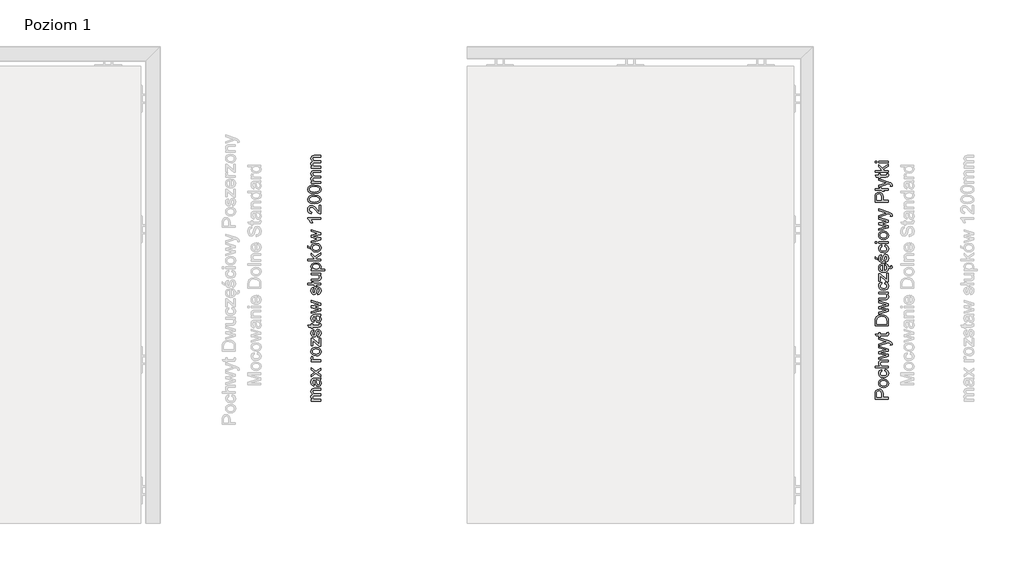
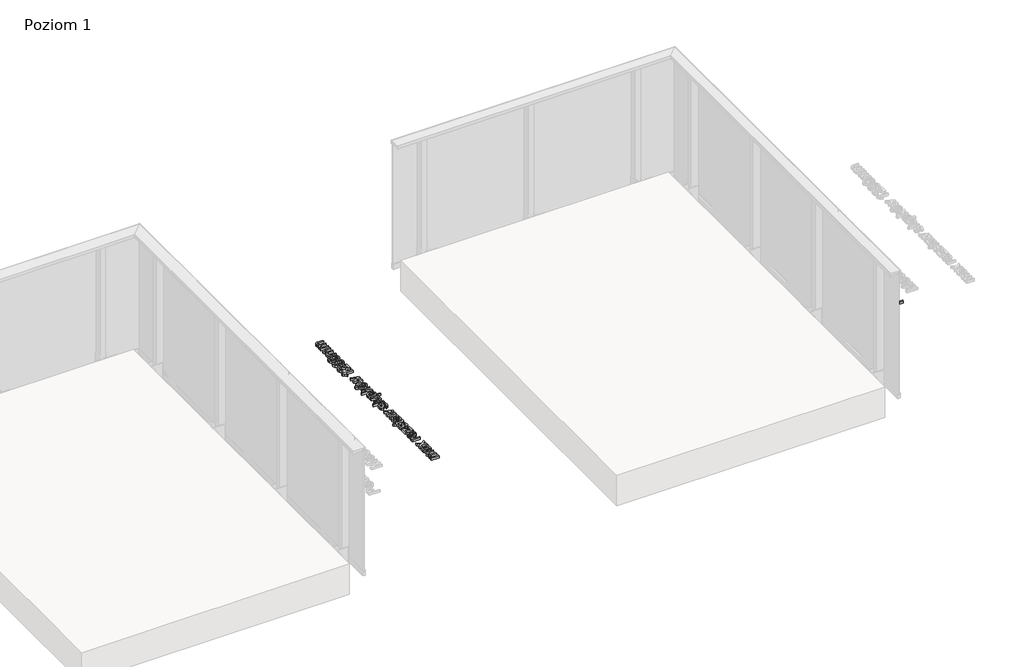
# One storey, part 34 of 35: 2 proxies.
"""IFC4 building model written with IfcOpenShell, lengths in millimetres."""

from ifc_helpers import new_model, si_unit, origin, origin_with_axes, place, context, project, spatial, polyline, outline, extrude, element, save

model = new_model("IFC4")

# Units and contexts
model_context = context("Model", 3, world=origin())
ifc_project = project(units=[si_unit("LENGTHUNIT", "METRE", prefix="MILLI")], contexts=[model_context])

# Site, building, storey
site = spatial("IfcSite", under=ifc_project)
building = spatial("IfcBuilding", under=site)
storey = spatial("IfcBuildingStorey", under=building, Name="Poziom 1", Elevation=0.0)

# Proxies
placement = place(None, origin())
element("IfcBuildingElementProxy", 1, Name="Generic Models", at=placement, inside=storey, context=model_context, shape_type="SweptSolid", body=[
    extrude(outline(polyline([(20115.5993765, 1320.5968692), (20015.1430664, 1320.5968692), (20015.1430664, 1357.8265271), (20016.0995596, 1372.8361125), (20020.7961864, 1385.037532), (20030.508271, 1392.9469949), (20044.205744, 1395.9391018), (20056.0454129, 1393.9188165), (20065.9107817, 1387.8579607), (20072.5694458, 1376.5241295), (20074.7890005, 1358.6849185), (20074.7890005, 1333.153908), (20115.5993765, 1333.153908), (20115.5993765, 1320.5968692)]), holes=[polyline([(20062.2319618, 1333.153908), (20062.2319618, 1359.4206824), (20057.6211741, 1377.9128841), (20052.0722873, 1382.0147683), (20044.6472024, 1383.3820631), (20034.2484047, 1380.1569642), (20028.5584965, 1371.6834156), (20027.7001052, 1359.1263768), (20027.7001052, 1333.153908), (20062.2319618, 1333.153908)])]), origin_with_axes(), (0.0, 0.0, 1.0), 20.0),
    extrude(outline(polyline([(20078.7130752, 1408.4961406), (20060.9259807, 1411.212336), (20048.4241242, 1419.3609222), (20042.298889, 1429.4286261), (20040.2571439, 1441.4828928), (20042.7434131, 1454.674528), (20050.2022205, 1465.2112815), (20062.0449551, 1472.118266), (20077.6830056, 1474.4205941), (20100.0257054, 1470.3493667), (20112.6685833, 1458.4913037), (20117.1690064, 1441.4828928), (20114.6919343, 1428.1318421), (20107.260718, 1417.6073513), (20095.1696631, 1410.7739433), (20078.7130752, 1408.4961406)]), holes=[polyline([(20078.6885497, 1421.0531794), (20090.0530377, 1422.5063132), (20098.1495072, 1426.8657149), (20102.9963525, 1433.4262771), (20104.6119676, 1441.4828928), (20102.9871555, 1449.5027203), (20098.112719, 1456.0510198), (20089.9089505, 1460.4104215), (20078.2961422, 1461.8635554), (20067.2627481, 1460.4012244), (20059.2766431, 1456.0142316), (20054.4297978, 1449.4567351), (20052.8141827, 1441.4828928), (20054.4236664, 1433.4262771), (20059.2521176, 1426.8657149), (20067.3301931, 1422.5063132), (20078.6885497, 1421.0531794)])]), origin_with_axes(), (0.0, 0.0, 1.0), 20.0),
    extrude(outline(polyline([(20088.9156692, 1535.6361581), (20090.485299, 1548.1931969), (20101.6535832, 1544.6921866), (20110.0934093, 1538.1132302), (20115.4001071, 1529.0755959), (20117.1690064, 1518.1985516), (20114.7011313, 1504.8413695), (20107.2975062, 1494.3965865), (20095.2830934, 1487.6551489), (20078.9828553, 1485.4080031), (20058.1239462, 1489.2462385), (20044.7207788, 1500.944886), (20040.2571439, 1518.0268733), (20041.7899856, 1528.6372032), (20046.3885105, 1537.1199488), (20053.8074641, 1543.2053302), (20063.8015916, 1546.6235671), (20065.3712215, 1534.0665283), (20055.9657051, 1528.24173), (20052.8141827, 1518.1249752), (20054.3654184, 1510.0101115), (20059.0191257, 1503.5691109), (20067.0266904, 1499.3660591), (20078.6394988, 1497.9650418), (20090.4086569, 1499.3354023), (20098.4438128, 1503.4464836), (20103.0699289, 1509.7709882), (20104.6119676, 1517.7816186), (20100.7614694, 1529.6151561), (20088.9156692, 1535.6361581)])), origin_with_axes(), (0.0, 0.0, 1.0), 20.0),
    extrude(outline(polyline([(20115.5993765, 1559.1806058), (20015.1430664, 1559.1806058), (20015.1430664, 1571.7376446), (20052.0784187, 1571.7376446), (20043.2124626, 1581.529437), (20040.2571439, 1593.5898351), (20043.4822427, 1607.6919783), (20052.3972498, 1616.251366), (20068.9028886, 1618.82654), (20115.5993765, 1618.82654), (20115.5993765, 1606.2695012), (20070.2027383, 1606.2695012), (20056.9589865, 1602.2718502), (20052.8141827, 1590.9410847), (20055.6100859, 1580.6526516), (20063.188455, 1573.785521), (20076.4076813, 1571.7376446), (20115.5993765, 1571.7376446), (20115.5993765, 1559.1806058)])), origin_with_axes(), (0.0, 0.0, 1.0), 20.0),
    extrude(outline(polyline([(20115.5993765, 1648.330676), (20041.8267738, 1625.8898743), (20041.8267738, 1638.9374224), (20084.8689672, 1651.6661394), (20100.2464346, 1655.4675867), (20085.4330529, 1658.5823209), (20041.8267738, 1668.7113385), (20041.8267738, 1683.671873), (20085.3104256, 1693.7518397), (20098.7258557, 1696.5232174), (20084.5746616, 1700.4963429), (20041.8267738, 1713.2495854), (20041.8267738, 1726.3461844), (20115.5993765, 1703.7337045), (20115.5993765, 1688.5524408), (20072.3364539, 1678.9139325), (20058.8474474, 1676.1180294), (20115.5993765, 1663.6836179), (20115.5993765, 1648.330676)])), origin_with_axes(), (0.0, 0.0, 1.0), 20.0),
    extrude(outline(polyline([(20143.8527138, 1734.9791486), (20131.7616589, 1733.4095187), (20132.8653048, 1739.78614), (20131.479616, 1745.7458283), (20127.616855, 1749.4001228), (20118.3707542, 1752.8336881), (20115.3295964, 1753.8147067), (20041.8267738, 1727.1309994), (20041.8267738, 1740.3747512), (20082.7843026, 1754.5259453), (20099.1673141, 1759.455564), (20084.6972889, 1764.3851827), (20041.8267738, 1778.9287843), (20041.8267738, 1792.0744342), (20117.3652101, 1766.396271), (20133.7482216, 1759.7253441), (20142.601915, 1752.4412806), (20145.4223436, 1742.6556196), (20143.8527138, 1734.9791486)])), origin_with_axes(), (0.0, 0.0, 1.0), 20.0),
    extrude(outline(polyline([(20105.1270024, 1829.1569394), (20115.9672585, 1830.7265692), (20117.1690064, 1821.3333156), (20115.0843417, 1810.8118905), (20109.6151627, 1805.5634407), (20095.3658668, 1804.0428618), (20054.3838125, 1804.0428618), (20054.3838125, 1794.6250827), (20041.8267738, 1794.6250827), (20041.8267738, 1804.0428618), (20023.8986579, 1804.0428618), (20016.5164925, 1816.5999006), (20041.8267738, 1816.5999006), (20041.8267738, 1829.1569394), (20054.3838125, 1829.1569394), (20054.3838125, 1816.5999006), (20094.9979848, 1816.5999006), (20101.4727079, 1817.2620882), (20103.765839, 1819.4080665), (20104.6119676, 1823.6877604), (20105.1270024, 1829.1569394)])), origin_with_axes(), (0.0, 0.0, 1.0), 20.0),
    extrude(outline(polyline([(20115.5993765, 1882.5243541), (20015.1430664, 1882.5243541), (20015.1430664, 1917.1788381), (20016.5900689, 1935.106954), (20023.7760305, 1949.8712847), (20040.943857, 1961.7661359), (20064.8316612, 1965.714736), (20085.1019591, 1963.0414601), (20099.7313998, 1956.1743296), (20108.8426106, 1947.0018051), (20113.8825939, 1934.9965894), (20115.5993765, 1918.8465698), (20115.5993765, 1882.5243541)]), holes=[polyline([(20103.0423378, 1895.0813929), (20103.0423378, 1917.3014654), (20101.2274533, 1933.4637477), (20096.1016308, 1942.7834249), (20083.6304312, 1950.4231077), (20064.6354575, 1953.1576972), (20050.9502472, 1951.8179936), (20040.8457551, 1947.7988828), (20029.7111934, 1934.7635974), (20027.7001052, 1916.9581089), (20027.7001052, 1895.0813929), (20103.0423378, 1895.0813929)])]), origin_with_axes(), (0.0, 0.0, 1.0), 20.0),
    extrude(outline(polyline([(20115.5993765, 1993.6492421), (20041.8267738, 1971.2084404), (20041.8267738, 1984.2559885), (20084.8689672, 1996.9847056), (20100.2464346, 2000.7861528), (20085.4330529, 2003.9008871), (20041.8267738, 2014.0299047), (20041.8267738, 2028.9904391), (20085.3104256, 2039.0704058), (20098.7258557, 2041.8417835), (20084.5746616, 2045.814909), (20041.8267738, 2058.5681515), (20041.8267738, 2071.6647506), (20115.5993765, 2049.0522706), (20115.5993765, 2033.8710069), (20072.3364539, 2024.2324987), (20058.8474474, 2021.4365955), (20115.5993765, 2009.0021841), (20115.5993765, 1993.6492421)])), origin_with_axes(), (0.0, 0.0, 1.0), 20.0),
    extrude(outline(polyline([(20115.5993765, 2127.3866101), (20102.9197104, 2127.3866101), (20113.6066824, 2117.5518981), (20117.1690064, 2104.7250792), (20114.6674088, 2092.9160672), (20108.3888894, 2084.7736123), (20099.1427886, 2081.0334787), (20087.4686666, 2080.2977147), (20041.8267738, 2080.2977147), (20041.8267738, 2092.8547535), (20081.5580292, 2092.8547535), (20094.3603227, 2093.615043), (20101.8773781, 2098.5814499), (20104.6119676, 2107.9379153), (20101.8160644, 2118.4225522), (20094.2009071, 2125.3509964), (20080.2091286, 2127.3866101), (20041.8267738, 2127.3866101), (20041.8267738, 2139.9436489), (20115.5993765, 2139.9436489), (20115.5993765, 2127.3866101)])), origin_with_axes(), (0.0, 0.0, 1.0), 20.0),
    extrude(outline(polyline([(20088.9156692, 2204.2984726), (20090.485299, 2216.8555113), (20101.6535832, 2213.354501), (20110.0934093, 2206.7755447), (20115.4001071, 2197.7379103), (20117.1690064, 2186.860866), (20114.7011313, 2173.5036839), (20107.2975062, 2163.0589009), (20095.2830934, 2156.3174633), (20078.9828553, 2154.0703175), (20058.1239462, 2157.908553), (20044.7207788, 2169.6072004), (20040.2571439, 2186.6891877), (20041.7899856, 2197.2995176), (20046.3885105, 2205.7822633), (20053.8074641, 2211.8676446), (20063.8015916, 2215.2858815), (20065.3712215, 2202.7288427), (20055.9657051, 2196.9040445), (20052.8141827, 2186.7872896), (20054.3654184, 2178.6724259), (20059.0191257, 2172.2314253), (20067.0266904, 2168.0283735), (20078.6394988, 2166.6273563), (20090.4086569, 2167.9977167), (20098.4438128, 2172.108798), (20103.0699289, 2178.4333026), (20104.6119676, 2186.4439331), (20100.7614694, 2198.2774706), (20088.9156692, 2204.2984726)])), origin_with_axes(), (0.0, 0.0, 1.0), 20.0),
    extrude(outline(polyline([(20115.5993765, 2219.994771), (20103.7781018, 2219.994771), (20054.3838125, 2263.3312701), (20054.3838125, 2250.5044512), (20054.3838125, 2223.1340307), (20041.8267738, 2223.1340307), (20041.8267738, 2281.210335), (20052.4953516, 2281.210335), (20096.32236, 2242.7789293), (20103.0423378, 2236.8928173), (20103.0423378, 2251.4118934), (20103.0423378, 2282.7799649), (20115.5993765, 2282.7799649), (20115.5993765, 2219.994771)])), origin_with_axes(), (0.0, 0.0, 1.0), 20.0),
    extrude(outline(polyline([(20093.6245587, 2346.9876358), (20095.1941885, 2359.2994199), (20104.4709462, 2354.8633761), (20111.4055218, 2347.7847134), (20115.768218, 2337.8922067), (20121.6694295, 2332.0148386), (20128.9902812, 2329.8688603), (20133.9689508, 2331.4017019), (20136.0045645, 2336.3681088), (20135.5631061, 2339.5073685), (20134.3858838, 2342.425899), (20143.0433734, 2342.425899), (20145.4223436, 2333.6212566), (20144.4167995, 2327.8455093), (20141.6454218, 2323.7252309), (20137.5864571, 2321.2604216), (20132.6691011, 2320.4510812), (20123.7540941, 2322.9036278), (20116.8755159, 2328.758177), (20117.1690064, 2326.3371931), (20114.6827372, 2311.6035192), (20107.2239298, 2300.2666224), (20095.276962, 2293.0377412), (20079.3262118, 2290.6281141), (20062.8389671, 2293.0622666), (20050.5087889, 2300.3647242), (20042.8200552, 2311.5483369), (20040.2571439, 2325.6259546), (20042.8139238, 2339.2651795), (20050.4842634, 2350.1636837), (20062.7899161, 2357.3097914), (20079.2526354, 2359.6918273), (20082.6371498, 2359.6182509), (20082.6371498, 2303.1851529), (20092.0365347, 2305.3587223), (20098.9465849, 2310.4079027), (20103.1956219, 2317.6950319), (20104.6119676, 2326.5824478), (20101.9877427, 2338.8942319), (20093.6245587, 2346.9876358)]), holes=[polyline([(20070.080111, 2303.1851529), (20070.080111, 2347.1347886), (20058.7002946, 2342.107068), (20054.2857107, 2334.7862163), (20052.8141827, 2325.5769036), (20057.5108095, 2310.1135971), (20063.0014483, 2305.2483577), (20070.080111, 2303.1851529)])]), origin_with_axes(), (0.0, 0.0, 1.0), 20.0),
    extrude(outline(polyline([(20093.6245587, 2367.5399766), (20092.0549288, 2380.0970153), (20101.3746061, 2385.9095509), (20104.6119676, 2399.2268791), (20101.6443862, 2412.0291725), (20094.6791537, 2416.1985018), (20089.0382965, 2412.004647), (20085.4575784, 2399.0797263), (20079.3139491, 2380.1705917), (20072.1402502, 2371.9177723), (20062.0112326, 2369.1096064), (20052.6547672, 2371.3659493), (20045.5055937, 2377.5218414), (20041.7899856, 2385.5048807), (20040.2571439, 2396.3083486), (20042.7219533, 2411.5877141), (20049.3928801, 2421.2997988), (20060.6623319, 2425.6162809), (20062.2319618, 2413.0592421), (20055.3035175, 2408.3380898), (20052.8141827, 2397.2893672), (20055.1931529, 2385.2718887), (20060.7359083, 2381.6666452), (20064.3902028, 2383.1626986), (20067.1615805, 2387.8470627), (20069.8348563, 2398.6627934), (20075.7454937, 2417.0936813), (20082.440946, 2425.6530691), (20093.3547786, 2428.7555406), (20105.3722571, 2425.1135088), (20114.0910604, 2414.6043465), (20117.1690064, 2399.0552008), (20115.6852157, 2386.3939288), (20111.2338435, 2377.1539594), (20103.8639409, 2370.9858046), (20093.6245587, 2367.5399766)])), origin_with_axes(), (0.0, 0.0, 1.0), 20.0),
    extrude(outline(polyline([(20033.9786245, 2386.3755347), (20015.1430664, 2395.7933138), (20015.1430664, 2411.4896122), (20033.9786245, 2395.7933138), (20033.9786245, 2386.3755347)])), origin_with_axes(), (0.0, 0.0, 1.0), 20.0),
    extrude(outline(polyline([(20088.9156692, 2489.9711046), (20090.485299, 2502.5281433), (20101.6535832, 2499.027133), (20110.0934093, 2492.4481767), (20115.4001071, 2483.4105423), (20117.1690064, 2472.533498), (20114.7011313, 2459.1763159), (20107.2975062, 2448.7315329), (20095.2830934, 2441.9900953), (20078.9828553, 2439.7429495), (20058.1239462, 2443.581185), (20044.7207788, 2455.2798324), (20040.2571439, 2472.3618197), (20041.7899856, 2482.9721496), (20046.3885105, 2491.4548953), (20053.8074641, 2497.5402766), (20063.8015916, 2500.9585135), (20065.3712215, 2488.4014747), (20055.9657051, 2482.5766765), (20052.8141827, 2472.4599216), (20054.3654184, 2464.3450579), (20059.0191257, 2457.9040573), (20067.0266904, 2453.7010055), (20078.6394988, 2452.2999882), (20090.4086569, 2453.6703487), (20098.4438128, 2457.78143), (20103.0699289, 2464.1059346), (20104.6119676, 2472.1165651), (20100.7614694, 2483.9501026), (20088.9156692, 2489.9711046)])), origin_with_axes(), (0.0, 0.0, 1.0), 20.0),
    extrude(outline(polyline([(20027.7001052, 2513.5155522), (20015.1430664, 2513.5155522), (20015.1430664, 2526.072591), (20027.7001052, 2526.072591), (20027.7001052, 2513.5155522)])), origin_with_axes(), (0.0, 0.0, 1.0), 20.0),
    extrude(outline(polyline([(20115.5993765, 2513.5155522), (20041.8267738, 2513.5155522), (20041.8267738, 2526.072591), (20115.5993765, 2526.072591), (20115.5993765, 2513.5155522)])), origin_with_axes(), (0.0, 0.0, 1.0), 20.0),
    extrude(outline(polyline([(20078.7130752, 2541.7688895), (20060.9259807, 2544.4850849), (20048.4241242, 2552.6336711), (20042.298889, 2562.701375), (20040.2571439, 2574.7556417), (20042.7434131, 2587.9472769), (20050.2022205, 2598.4840304), (20062.0449551, 2605.3910149), (20077.6830056, 2607.693343), (20100.0257054, 2603.6221156), (20112.6685833, 2591.7640526), (20117.1690064, 2574.7556417), (20114.6919343, 2561.404591), (20107.260718, 2550.8801002), (20095.1696631, 2544.0466922), (20078.7130752, 2541.7688895)]), holes=[polyline([(20078.6885497, 2554.3259282), (20090.0530377, 2555.7790621), (20098.1495072, 2560.1384638), (20102.9963525, 2566.699026), (20104.6119676, 2574.7556417), (20102.9871555, 2582.7754692), (20098.112719, 2589.3237687), (20089.9089505, 2593.6831704), (20078.2961422, 2595.1363042), (20067.2627481, 2593.6739733), (20059.2766431, 2589.2869805), (20054.4297978, 2582.729484), (20052.8141827, 2574.7556417), (20054.4236664, 2566.699026), (20059.2521176, 2560.1384638), (20067.3301931, 2555.7790621), (20078.6885497, 2554.3259282)])]), origin_with_axes(), (0.0, 0.0, 1.0), 20.0),
    extrude(outline(polyline([(20115.5993765, 2634.0582193), (20041.8267738, 2611.6174176), (20041.8267738, 2624.6649657), (20084.8689672, 2637.3936828), (20100.2464346, 2641.19513), (20085.4330529, 2644.3098643), (20041.8267738, 2654.4388819), (20041.8267738, 2669.3994163), (20085.3104256, 2679.479383), (20098.7258557, 2682.2507607), (20084.5746616, 2686.2238862), (20041.8267738, 2698.9771287), (20041.8267738, 2712.0737278), (20115.5993765, 2689.4612478), (20115.5993765, 2674.2799841), (20072.3364539, 2664.6414759), (20058.8474474, 2661.8455727), (20115.5993765, 2649.4111613), (20115.5993765, 2634.0582193)])), origin_with_axes(), (0.0, 0.0, 1.0), 20.0),
    extrude(outline(polyline([(20143.8527138, 2720.7066919), (20131.7616589, 2719.1370621), (20132.8653048, 2725.5136833), (20131.479616, 2731.4733717), (20127.616855, 2735.1276661), (20118.3707542, 2738.5612314), (20115.3295964, 2739.5422501), (20041.8267738, 2712.8585427), (20041.8267738, 2726.1022945), (20082.7843026, 2740.2534886), (20099.1673141, 2745.1831073), (20084.6972889, 2750.1127261), (20041.8267738, 2764.6563276), (20041.8267738, 2777.8019776), (20117.3652101, 2752.1238143), (20133.7482216, 2745.4528875), (20142.601915, 2738.168824), (20145.4223436, 2728.3831629), (20143.8527138, 2720.7066919)])), origin_with_axes(), (0.0, 0.0, 1.0), 20.0),
    extrude(outline(polyline([(20115.5993765, 2829.0111513), (20015.1430664, 2829.0111513), (20015.1430664, 2866.2408092), (20016.0995596, 2881.2503946), (20020.7961864, 2893.4518141), (20030.508271, 2901.361277), (20044.205744, 2904.3533839), (20056.0454129, 2902.3330986), (20065.9107817, 2896.2722428), (20072.5694458, 2884.9384116), (20074.7890005, 2867.0992005), (20074.7890005, 2841.5681901), (20115.5993765, 2841.5681901), (20115.5993765, 2829.0111513)]), holes=[polyline([(20062.2319618, 2841.5681901), (20062.2319618, 2867.8349645), (20057.6211741, 2886.3271662), (20052.0722873, 2890.4290504), (20044.6472024, 2891.7963452), (20034.2484047, 2888.5712463), (20028.5584965, 2880.0976977), (20027.7001052, 2867.5406589), (20027.7001052, 2841.5681901), (20062.2319618, 2841.5681901)])]), origin_with_axes(), (0.0, 0.0, 1.0), 20.0),
    extrude(outline(polyline([(20075.8926465, 2920.0496824), (20083.4219647, 2910.6319033), (20069.2952961, 2910.6319033), (20061.7659779, 2920.0496824), (20015.1430664, 2920.0496824), (20015.1430664, 2932.6067212), (20051.7105367, 2932.6067212), (20044.1812185, 2942.0245002), (20058.3078872, 2942.0245002), (20065.8372053, 2932.6067212), (20115.5993765, 2932.6067212), (20115.5993765, 2920.0496824), (20075.8926465, 2920.0496824)])), origin_with_axes(), (0.0, 0.0, 1.0), 20.0),
    extrude(outline(polyline([(20143.8527138, 2951.4422793), (20131.7616589, 2949.8726495), (20132.8653048, 2956.2492707), (20131.479616, 2962.208959), (20127.616855, 2965.8632535), (20118.3707542, 2969.2968188), (20115.3295964, 2970.2778375), (20041.8267738, 2943.5941301), (20041.8267738, 2956.8378819), (20082.7843026, 2970.989076), (20099.1673141, 2975.9186947), (20084.6972889, 2980.8483135), (20041.8267738, 2995.391915), (20041.8267738, 3008.537565), (20117.3652101, 2982.8594017), (20133.7482216, 2976.1884748), (20142.601915, 2968.9044113), (20145.4223436, 2959.1187503), (20143.8527138, 2951.4422793)])), origin_with_axes(), (0.0, 0.0, 1.0), 20.0),
    extrude(outline(polyline([(20105.1270024, 3045.6200701), (20115.9672585, 3047.1896999), (20117.1690064, 3037.7964463), (20115.0843417, 3027.2750212), (20109.6151627, 3022.0265714), (20095.3658668, 3020.5059925), (20054.3838125, 3020.5059925), (20054.3838125, 3011.0882135), (20041.8267738, 3011.0882135), (20041.8267738, 3020.5059925), (20023.8986579, 3020.5059925), (20016.5164925, 3033.0630313), (20041.8267738, 3033.0630313), (20041.8267738, 3045.6200701), (20054.3838125, 3045.6200701), (20054.3838125, 3033.0630313), (20094.9979848, 3033.0630313), (20101.4727079, 3033.7252189), (20103.765839, 3035.8711972), (20104.6119676, 3040.1508911), (20105.1270024, 3045.6200701)])), origin_with_axes(), (0.0, 0.0, 1.0), 20.0),
    extrude(outline(polyline([(20115.5993765, 3058.1771088), (20015.1430664, 3058.1771088), (20015.1430664, 3070.7341476), (20069.1236178, 3070.7341476), (20041.8267738, 3098.889383), (20041.8267738, 3116.2534131), (20069.4669743, 3087.7548213), (20115.5993765, 3117.823043), (20115.5993765, 3103.1568141), (20078.1980404, 3078.7539751), (20085.9726132, 3070.7341476), (20115.5993765, 3070.7341476), (20115.5993765, 3058.1771088)])), origin_with_axes(), (0.0, 0.0, 1.0), 20.0),
    extrude(outline(polyline([(20027.7001052, 3128.8104519), (20015.1430664, 3128.8104519), (20015.1430664, 3141.3674907), (20027.7001052, 3141.3674907), (20027.7001052, 3128.8104519)])), origin_with_axes(), (0.0, 0.0, 1.0), 20.0),
    extrude(outline(polyline([(20115.5993765, 3128.8104519), (20041.8267738, 3128.8104519), (20041.8267738, 3141.3674907), (20115.5993765, 3141.3674907), (20115.5993765, 3128.8104519)])), origin_with_axes(), (0.0, 0.0, 1.0), 20.0),
])
element("IfcBuildingElementProxy", 2, Name="Generic Models", at=placement, inside=storey, context=model_context, shape_type="SweptSolid", body=[
    extrude(outline(polyline([(15769.7173752, 1304.9023417), (15695.9447724, 1304.9023417), (15695.9447724, 1317.4593804), (15708.0848783, 1317.4593804), (15698.1398017, 1326.0923446), (15694.3751426, 1338.3796032), (15698.2133781, 1350.9611675), (15708.9677951, 1357.877349), (15698.0233057, 1367.6752728), (15694.3751426, 1380.0483706), (15695.8926558, 1389.4876094), (15700.4451955, 1396.4681703), (15708.155389, 1400.7815867), (15719.1458636, 1402.2193921), (15769.7173752, 1402.2193921), (15769.7173752, 1389.6623534), (15724.5414662, 1389.6623534), (15714.0568293, 1388.4973937), (15708.8942187, 1384.2790135), (15706.9321813, 1377.1053146), (15711.959902, 1364.7567423), (15718.5020701, 1361.0687253), (15728.0731333, 1359.8393863), (15769.7173752, 1359.8393863), (15769.7173752, 1347.2823475), (15723.1435146, 1347.2823475), (15710.9788833, 1344.3760798), (15706.9321813, 1334.8479361), (15709.6299826, 1325.5527843), (15717.5271828, 1319.3723668), (15732.5122427, 1317.4593804), (15769.7173752, 1317.4593804), (15769.7173752, 1304.9023417)])), origin_with_axes(), (0.0, 0.0, 1.0), 20.0),
    extrude(outline(polyline([(15760.2995961, 1468.1438457), (15768.8099329, 1455.9669516), (15771.287005, 1442.5147333), (15769.797083, 1432.0208994), (15765.3273167, 1424.2800491), (15758.5398939, 1419.5067802), (15750.0970021, 1417.9156906), (15740.1641882, 1420.3191863), (15732.9537011, 1426.6344939), (15728.8334228, 1435.4268736), (15726.9449619, 1446.2916552), (15722.6284798, 1468.0702693), (15719.8325766, 1468.1438457), (15710.5619504, 1464.6857549), (15706.9321813, 1450.804341), (15709.3479398, 1438.1001494), (15717.9195903, 1432.0423592), (15716.3499604, 1419.4853204), (15704.0872273, 1424.9177112), (15696.9012656, 1435.8560692), (15694.3751426, 1452.4230217), (15696.60696, 1467.6410736), (15702.2110291, 1476.2372496), (15710.7336286, 1480.0877478), (15721.7210376, 1480.7008844), (15737.3437596, 1480.7008844), (15759.1591619, 1481.3385466), (15769.7173752, 1483.8401441), (15769.7173752, 1471.2831054), (15760.2995961, 1468.1438457)]), holes=[polyline([(15735.1855186, 1468.1438457), (15739.0360168, 1447.8858105), (15741.0716305, 1437.0823425), (15744.3825685, 1432.189512), (15749.2140853, 1430.4727294), (15756.0076395, 1434.212863), (15758.7299663, 1445.1880092), (15755.7255966, 1457.8922007), (15748.4537959, 1466.0837065), (15738.7417112, 1468.0702693), (15735.1855186, 1468.1438457)])]), origin_with_axes(), (0.0, 0.0, 1.0), 20.0),
    extrude(outline(polyline([(15769.7173752, 1490.1186635), (15732.6348701, 1516.9495237), (15695.9447724, 1491.6882934), (15695.9447724, 1506.7959806), (15713.6031082, 1518.9851374), (15721.9417668, 1524.6750456), (15715.1236871, 1529.6046643), (15695.9447724, 1543.4860783), (15695.9447724, 1558.5937656), (15732.6348701, 1532.057211), (15769.7173752, 1557.6127469), (15769.7173752, 1542.5050596), (15747.4237263, 1527.1275922), (15743.3524989, 1524.3071636), (15769.7173752, 1505.2263508), (15769.7173752, 1490.1186635)])), origin_with_axes(), (0.0, 0.0, 1.0), 20.0),
    extrude(outline(polyline([(15769.7173752, 1607.840902), (15695.9447724, 1607.840902), (15695.9447724, 1618.8283109), (15706.858605, 1618.8283109), (15696.8031637, 1626.6274092), (15694.3751426, 1634.4755584), (15698.2501663, 1647.0816481), (15709.5073553, 1642.8877934), (15706.9321813, 1634.0586255), (15709.4092535, 1626.958503), (15716.276384, 1622.4335544), (15730.9426129, 1620.3979407), (15769.7173752, 1620.3979407), (15769.7173752, 1607.840902)])), origin_with_axes(), (0.0, 0.0, 1.0), 20.0),
    extrude(outline(polyline([(15732.8310738, 1651.7905377), (15715.0439793, 1654.5067331), (15702.5421229, 1662.6553193), (15696.4168877, 1672.7230232), (15694.3751426, 1684.7772899), (15696.8614117, 1697.9689251), (15704.3202192, 1708.5056786), (15716.1629537, 1715.412663), (15731.8010042, 1717.7149912), (15754.1437041, 1713.6437638), (15766.786582, 1701.7857008), (15771.287005, 1684.7772899), (15768.8099329, 1671.4262392), (15761.3787166, 1660.9017484), (15749.2876617, 1654.0683404), (15732.8310738, 1651.7905377)]), holes=[polyline([(15732.8065483, 1664.3475764), (15744.1710363, 1665.8007103), (15752.2675059, 1670.160112), (15757.1143512, 1676.7206742), (15758.7299663, 1684.7772899), (15757.1051541, 1692.7971174), (15752.2307177, 1699.3454169), (15744.0269492, 1703.7048185), (15732.4141409, 1705.1579524), (15721.3807467, 1703.6956215), (15713.3946417, 1699.3086287), (15708.5477964, 1692.7511321), (15706.9321813, 1684.7772899), (15708.5416651, 1676.7206742), (15713.3701163, 1670.160112), (15721.4481917, 1665.8007103), (15732.8065483, 1664.3475764)])]), origin_with_axes(), (0.0, 0.0, 1.0), 20.0),
    extrude(outline(polyline([(15769.7173752, 1723.9935106), (15757.8961004, 1723.9935106), (15708.5018112, 1767.3300096), (15708.5018112, 1754.5031907), (15708.5018112, 1727.1327703), (15695.9447724, 1727.1327703), (15695.9447724, 1785.2090746), (15706.6133503, 1785.2090746), (15750.4403586, 1746.7776688), (15757.1603364, 1740.8915569), (15757.1603364, 1755.410633), (15757.1603364, 1786.7787044), (15769.7173752, 1786.7787044), (15769.7173752, 1723.9935106)])), origin_with_axes(), (0.0, 0.0, 1.0), 20.0),
    extrude(outline(polyline([(15747.7425573, 1794.6268537), (15746.1729275, 1807.1838924), (15755.4926047, 1812.996428), (15758.7299663, 1826.3137562), (15755.7623848, 1839.1160496), (15748.7971524, 1843.2853789), (15743.1562951, 1839.0915241), (15739.5755771, 1826.1666034), (15733.4319477, 1807.2574688), (15726.2582488, 1799.0046494), (15716.1292312, 1796.1964835), (15706.7727658, 1798.4528264), (15699.6235924, 1804.6087185), (15695.9079842, 1812.5917578), (15694.3751426, 1823.3952257), (15696.8399519, 1838.6745912), (15703.5108788, 1848.3866759), (15714.7803306, 1852.703158), (15716.3499604, 1840.1461192), (15709.4215162, 1835.4249669), (15706.9321813, 1824.3762443), (15709.3111516, 1812.3587658), (15714.853907, 1808.7535223), (15718.5082015, 1810.2495757), (15721.2795792, 1814.9339398), (15723.952855, 1825.7496704), (15729.8634924, 1844.1805584), (15736.5589447, 1852.7399462), (15747.4727772, 1855.8424177), (15759.4902557, 1852.2003859), (15768.209059, 1841.6912236), (15771.287005, 1826.1420779), (15769.8032143, 1813.4808059), (15765.3518422, 1804.2408365), (15757.9819395, 1798.0726817), (15747.7425573, 1794.6268537)])), origin_with_axes(), (0.0, 0.0, 1.0), 20.0),
    extrude(outline(polyline([(15759.2450011, 1896.6527937), (15770.0852572, 1898.2224235), (15771.287005, 1888.8291699), (15769.2023404, 1878.3077448), (15763.7331614, 1873.059295), (15749.4838655, 1871.5387161), (15708.5018112, 1871.5387161), (15708.5018112, 1862.120937), (15695.9447724, 1862.120937), (15695.9447724, 1871.5387161), (15678.0166565, 1871.5387161), (15670.6344912, 1884.0957549), (15695.9447724, 1884.0957549), (15695.9447724, 1896.6527937), (15708.5018112, 1896.6527937), (15708.5018112, 1884.0957549), (15749.1159835, 1884.0957549), (15755.5907066, 1884.7579425), (15757.8838377, 1886.9039208), (15758.7299663, 1891.1836147), (15759.2450011, 1896.6527937)])), origin_with_axes(), (0.0, 0.0, 1.0), 20.0),
    extrude(outline(polyline([(15760.2995961, 1956.2987278), (15768.8099329, 1944.1218338), (15771.287005, 1930.6696155), (15769.797083, 1920.1757816), (15765.3273167, 1912.4349312), (15758.5398939, 1907.6616624), (15750.0970021, 1906.0705727), (15740.1641882, 1908.4740684), (15732.9537011, 1914.789376), (15728.8334228, 1923.5817557), (15726.9449619, 1934.4465373), (15722.6284798, 1956.2251514), (15719.8325766, 1956.2987278), (15710.5619504, 1952.8406371), (15706.9321813, 1938.9592231), (15709.3479398, 1926.2550315), (15717.9195903, 1920.1972413), (15716.3499604, 1907.6402026), (15704.0872273, 1913.0725934), (15696.9012656, 1924.0109514), (15694.3751426, 1940.5779039), (15696.60696, 1955.7959557), (15702.2110291, 1964.3921317), (15710.7336286, 1968.2426299), (15721.7210376, 1968.8557666), (15737.3437596, 1968.8557666), (15759.1591619, 1969.4934287), (15769.7173752, 1971.9950263), (15769.7173752, 1959.4379875), (15760.2995961, 1956.2987278)]), holes=[polyline([(15735.1855186, 1956.2987278), (15739.0360168, 1936.0406926), (15741.0716305, 1925.2372247), (15744.3825685, 1920.3443941), (15749.2140853, 1918.6276115), (15756.0076395, 1922.3677451), (15758.7299663, 1933.3428913), (15755.7255966, 1946.0470829), (15748.4537959, 1954.2385886), (15738.7417112, 1956.2251514), (15735.1855186, 1956.2987278)])]), origin_with_axes(), (0.0, 0.0, 1.0), 20.0),
    extrude(outline(polyline([(15769.7173752, 1998.3599026), (15695.9447724, 1975.9191009), (15695.9447724, 1988.966649), (15738.9869659, 2001.695366), (15754.3644333, 2005.4968133), (15739.5510516, 2008.6115475), (15695.9447724, 2018.7405651), (15695.9447724, 2033.7010996), (15739.4284243, 2043.7810663), (15752.8438543, 2046.552444), (15738.6926603, 2050.5255695), (15695.9447724, 2063.278812), (15695.9447724, 2076.375411), (15769.7173752, 2053.7629311), (15769.7173752, 2038.5816674), (15726.4544526, 2028.9431591), (15712.9654461, 2026.147256), (15769.7173752, 2013.7128445), (15769.7173752, 1998.3599026)])), origin_with_axes(), (0.0, 0.0, 1.0), 20.0),
    extrude(outline(polyline([(15747.7425573, 2119.5402318), (15746.1729275, 2132.0972706), (15755.4926047, 2137.9098061), (15758.7299663, 2151.2271343), (15755.7623848, 2164.0294277), (15748.7971524, 2168.198757), (15743.1562951, 2164.0049023), (15739.5755771, 2151.0799815), (15733.4319477, 2132.170847), (15726.2582488, 2123.9180275), (15716.1292312, 2121.1098616), (15706.7727658, 2123.3662045), (15699.6235924, 2129.5220966), (15695.9079842, 2137.5051359), (15694.3751426, 2148.3086038), (15696.8399519, 2163.5879694), (15703.5108788, 2173.300054), (15714.7803306, 2177.6165361), (15716.3499604, 2165.0594973), (15709.4215162, 2160.3383451), (15706.9321813, 2149.2896225), (15709.3111516, 2137.272144), (15714.853907, 2133.6669004), (15718.5082015, 2135.1629539), (15721.2795792, 2139.8473179), (15723.952855, 2150.6630486), (15729.8634924, 2169.0939365), (15736.5589447, 2177.6533243), (15747.4727772, 2180.7557958), (15759.4902557, 2177.113764), (15768.209059, 2166.6046017), (15771.287005, 2151.0554561), (15769.8032143, 2138.3941841), (15765.3518422, 2129.1542146), (15757.9819395, 2122.9860598), (15747.7425573, 2119.5402318)])), origin_with_axes(), (0.0, 0.0, 1.0), 20.0),
    extrude(outline(polyline([(15730.0106452, 2194.8824644), (15737.5399633, 2185.4646853), (15723.4132947, 2185.4646853), (15715.8839766, 2194.8824644), (15669.261065, 2194.8824644), (15669.261065, 2207.4395032), (15705.8285354, 2207.4395032), (15698.2992172, 2216.8572823), (15712.4258858, 2216.8572823), (15719.955204, 2207.4395032), (15769.7173752, 2207.4395032), (15769.7173752, 2194.8824644), (15730.0106452, 2194.8824644)])), origin_with_axes(), (0.0, 0.0, 1.0), 20.0),
    extrude(outline(polyline([(15769.7173752, 2273.3639567), (15757.0377091, 2273.3639567), (15767.7246811, 2263.5292447), (15771.287005, 2250.7024258), (15768.7854075, 2238.8934138), (15762.5068881, 2230.7509589), (15753.2607873, 2227.0108253), (15741.5866653, 2226.2750613), (15695.9447724, 2226.2750613), (15695.9447724, 2238.8321001), (15735.6760279, 2238.8321001), (15748.4783213, 2239.5923896), (15755.9953768, 2244.5587965), (15758.7299663, 2253.9152619), (15755.9340631, 2264.3998988), (15748.3189058, 2271.328343), (15734.3271273, 2273.3639567), (15695.9447724, 2273.3639567), (15695.9447724, 2285.9209955), (15769.7173752, 2285.9209955), (15769.7173752, 2273.3639567)])), origin_with_axes(), (0.0, 0.0, 1.0), 20.0),
    extrude(outline(polyline([(15797.9707124, 2303.1869238), (15695.9447724, 2303.1869238), (15695.9447724, 2315.7439626), (15708.2565565, 2315.7439626), (15697.8454961, 2324.4259776), (15694.3751426, 2336.1491506), (15699.2311849, 2352.0661782), (15712.9163951, 2362.4649759), (15732.2669881, 2365.9721176), (15752.6108624, 2362.0112548), (15766.4677509, 2350.5088111), (15771.287005, 2334.6285716), (15768.0619062, 2323.7024764), (15759.9071887, 2315.7439626), (15797.9707124, 2315.7439626), (15797.9707124, 2303.1869238)]), holes=[polyline([(15733.419685, 2315.7439626), (15744.6768741, 2317.1020603), (15752.5495488, 2321.1763534), (15757.1848619, 2327.1881583), (15758.7299663, 2334.3587915), (15757.1296796, 2341.6459207), (15752.3288196, 2347.8110098), (15744.1679706, 2352.0140616), (15732.4877173, 2353.4150789), (15721.2918419, 2352.0477841), (15713.3088026, 2347.9458999), (15708.5263367, 2341.943292), (15706.9321813, 2334.8738263), (15708.6275042, 2327.7767695), (15713.7134728, 2321.5442353), (15722.0306716, 2317.1940308), (15733.419685, 2315.7439626)])]), origin_with_axes(), (0.0, 0.0, 1.0), 20.0),
    extrude(outline(polyline([(15769.7173752, 2380.0987862), (15669.261065, 2380.0987862), (15669.261065, 2392.655825), (15723.2416165, 2392.655825), (15695.9447724, 2420.8110604), (15695.9447724, 2438.1750906), (15723.584973, 2409.6764987), (15769.7173752, 2439.7447204), (15769.7173752, 2425.0784915), (15732.316039, 2400.6756525), (15740.0906118, 2392.655825), (15769.7173752, 2392.655825), (15769.7173752, 2380.0987862)])), origin_with_axes(), (0.0, 0.0, 1.0), 20.0),
    extrude(outline(polyline([(15732.8310738, 2447.5928696), (15715.0439793, 2450.309065), (15702.5421229, 2458.4576512), (15696.4168877, 2468.5253552), (15694.3751426, 2480.5796219), (15696.8614117, 2493.7712571), (15704.3202192, 2504.3080106), (15716.1629537, 2511.214995), (15731.8010042, 2513.5173232), (15754.1437041, 2509.4460958), (15766.786582, 2497.5880328), (15771.287005, 2480.5796219), (15768.8099329, 2467.2285711), (15761.3787166, 2456.7040804), (15749.2876617, 2449.8706723), (15732.8310738, 2447.5928696)]), holes=[polyline([(15732.8065483, 2460.1499084), (15744.1710363, 2461.6030423), (15752.2675059, 2465.9624439), (15757.1143512, 2472.5230062), (15758.7299663, 2480.5796219), (15757.1051541, 2488.5994494), (15752.2307177, 2495.1477489), (15744.0269492, 2499.5071505), (15732.4141409, 2500.9602844), (15721.3807467, 2499.4979535), (15713.3946417, 2495.1109607), (15708.5477964, 2488.5534641), (15706.9321813, 2480.5796219), (15708.5416651, 2472.5230062), (15713.3701163, 2465.9624439), (15721.4481917, 2461.6030423), (15732.8065483, 2460.1499084)])]), origin_with_axes(), (0.0, 0.0, 1.0), 20.0),
    extrude(outline(polyline([(15688.0966232, 2471.1373173), (15669.261065, 2480.5550964), (15669.261065, 2496.2513949), (15688.0966232, 2480.5550964), (15688.0966232, 2471.1373173)])), origin_with_axes(), (0.0, 0.0, 1.0), 20.0),
    extrude(outline(polyline([(15769.7173752, 2539.8821995), (15695.9447724, 2517.4413978), (15695.9447724, 2530.4889459), (15738.9869659, 2543.2176629), (15754.3644333, 2547.0191102), (15739.5510516, 2550.1338444), (15695.9447724, 2560.262862), (15695.9447724, 2575.2233965), (15739.4284243, 2585.3033632), (15752.8438543, 2588.0747409), (15738.6926603, 2592.0478664), (15695.9447724, 2604.8011089), (15695.9447724, 2617.8977079), (15769.7173752, 2595.285228), (15769.7173752, 2580.1039643), (15726.4544526, 2570.465456), (15712.9654461, 2567.6695529), (15769.7173752, 2555.2351414), (15769.7173752, 2539.8821995)])), origin_with_axes(), (0.0, 0.0, 1.0), 20.0),
    extrude(outline(polyline([(15769.7173752, 2709.7210539), (15769.7173752, 2697.1640152), (15691.4320866, 2697.1640152), (15699.9056352, 2685.269164), (15706.2454683, 2672.0499376), (15694.3751426, 2672.0499376), (15682.6274442, 2690.4563001), (15669.261065, 2701.62765), (15669.261065, 2709.7210539), (15769.7173752, 2709.7210539)])), origin_with_axes(), (0.0, 0.0, 1.0), 20.0),
    extrude(outline(polyline([(15757.1603364, 2803.8988447), (15769.7173752, 2803.8988447), (15769.7173752, 2737.9743912), (15761.0598856, 2739.3232918), (15747.7302946, 2746.9507118), (15733.1744303, 2762.6715358), (15712.2542075, 2784.352048), (15698.0294371, 2789.7721761), (15686.5147306, 2784.6586163), (15681.8181038, 2771.3044999), (15686.404366, 2757.3862978), (15699.0840321, 2752.1010598), (15697.5144023, 2739.544021), (15685.3681651, 2742.5882445), (15676.4960776, 2749.1702665), (15671.0698182, 2758.9467306), (15669.261065, 2771.57428), (15671.2721533, 2784.2938), (15677.305418, 2794.05187), (15686.3185269, 2800.2598786), (15697.2691476, 2802.3292148), (15709.1762615, 2800.0973974), (15721.4880456, 2792.6784438), (15738.6926603, 2774.6890143), (15750.7714524, 2760.2435146), (15757.1603364, 2754.5781319), (15757.1603364, 2803.8988447)])), origin_with_axes(), (0.0, 0.0, 1.0), 20.0),
    extrude(outline(polyline([(15720.2985605, 2816.4558835), (15691.3952984, 2820.1469661), (15674.730244, 2831.1098496), (15669.261065, 2849.4181102), (15672.4984266, 2864.0843391), (15681.8303665, 2874.2133567), (15696.6927992, 2880.0994686), (15720.2985605, 2882.380337), (15749.0791953, 2878.7260425), (15765.7810378, 2867.7999473), (15769.9105132, 2859.5685876), (15771.287005, 2849.4181102), (15768.8957721, 2836.3705621), (15761.7220732, 2826.4622737), (15744.7320564, 2818.957481), (15720.2985605, 2816.4558835)]), holes=[polyline([(15720.274035, 2829.0129222), (15740.0262325, 2830.4844502), (15751.4581655, 2834.8990342), (15756.9120161, 2841.4718591), (15758.7299663, 2849.4181102), (15756.9058847, 2857.3643613), (15751.43364, 2863.9371863), (15739.9955757, 2868.3517702), (15720.274035, 2869.8232982), (15700.9663617, 2868.4008212), (15689.4455238, 2864.13339), (15683.7249588, 2857.5728278), (15681.8181038, 2849.2709574), (15683.4980983, 2841.4105455), (15688.5380816, 2835.0952379), (15700.7762893, 2830.5335011), (15720.274035, 2829.0129222)])]), origin_with_axes(), (0.0, 0.0, 1.0), 20.0),
    extrude(outline(polyline([(15720.2985605, 2893.3677459), (15691.3952984, 2897.0588286), (15674.730244, 2908.0217121), (15669.261065, 2926.3299727), (15672.4984266, 2940.9962016), (15681.8303665, 2951.1252192), (15696.6927992, 2957.0113311), (15720.2985605, 2959.2921995), (15749.0791953, 2955.637905), (15765.7810378, 2944.7118097), (15769.9105132, 2936.4804501), (15771.287005, 2926.3299727), (15768.8957721, 2913.2824246), (15761.7220732, 2903.3741362), (15744.7320564, 2895.8693435), (15720.2985605, 2893.3677459)]), holes=[polyline([(15720.274035, 2905.9247847), (15740.0262325, 2907.3963127), (15751.4581655, 2911.8108966), (15756.9120161, 2918.3837216), (15758.7299663, 2926.3299727), (15756.9058847, 2934.2762238), (15751.43364, 2940.8490488), (15739.9955757, 2945.2636327), (15720.274035, 2946.7351607), (15700.9663617, 2945.3126836), (15689.4455238, 2941.0452525), (15683.7249588, 2934.4846902), (15681.8181038, 2926.1828199), (15683.4980983, 2918.3224079), (15688.5380816, 2912.0071003), (15700.7762893, 2907.4453636), (15720.274035, 2905.9247847)])]), origin_with_axes(), (0.0, 0.0, 1.0), 20.0),
    extrude(outline(polyline([(15769.7173752, 2973.4188681), (15695.9447724, 2973.4188681), (15695.9447724, 2985.9759068), (15708.0848783, 2985.9759068), (15698.1398017, 2994.608871), (15694.3751426, 3006.8961296), (15698.2133781, 3019.4776939), (15708.9677951, 3026.3938754), (15698.0233057, 3036.1917992), (15694.3751426, 3048.564897), (15695.8926558, 3058.0041358), (15700.4451955, 3064.9846967), (15708.155389, 3069.2981131), (15719.1458636, 3070.7359185), (15769.7173752, 3070.7359185), (15769.7173752, 3058.1788798), (15724.5414662, 3058.1788798), (15714.0568293, 3057.0139201), (15708.8942187, 3052.7955399), (15706.9321813, 3045.621841), (15711.959902, 3033.2732687), (15718.5020701, 3029.5852517), (15728.0731333, 3028.3559127), (15769.7173752, 3028.3559127), (15769.7173752, 3015.7988739), (15723.1435146, 3015.7988739), (15710.9788833, 3012.8926062), (15706.9321813, 3003.3644625), (15709.6299826, 2994.0693107), (15717.5271828, 2987.8888932), (15732.5122427, 2985.9759068), (15769.7173752, 2985.9759068), (15769.7173752, 2973.4188681)])), origin_with_axes(), (0.0, 0.0, 1.0), 20.0),
    extrude(outline(polyline([(15769.7173752, 3089.5714767), (15695.9447724, 3089.5714767), (15695.9447724, 3102.1285154), (15708.0848783, 3102.1285154), (15698.1398017, 3110.7614796), (15694.3751426, 3123.0487382), (15698.2133781, 3135.6303025), (15708.9677951, 3142.546484), (15698.0233057, 3152.3444078), (15694.3751426, 3164.7175056), (15695.8926558, 3174.1567444), (15700.4451955, 3181.1373053), (15708.155389, 3185.4507217), (15719.1458636, 3186.8885271), (15769.7173752, 3186.8885271), (15769.7173752, 3174.3314884), (15724.5414662, 3174.3314884), (15714.0568293, 3173.1665287), (15708.8942187, 3168.9481485), (15706.9321813, 3161.7744496), (15711.959902, 3149.4258773), (15718.5020701, 3145.7378603), (15728.0731333, 3144.5085213), (15769.7173752, 3144.5085213), (15769.7173752, 3131.9514825), (15723.1435146, 3131.9514825), (15710.9788833, 3129.0452148), (15706.9321813, 3119.5170711), (15709.6299826, 3110.2219193), (15717.5271828, 3104.0415018), (15732.5122427, 3102.1285154), (15769.7173752, 3102.1285154), (15769.7173752, 3089.5714767)])), origin_with_axes(), (0.0, 0.0, 1.0), 20.0),
])

save(model, "model.ifc")
